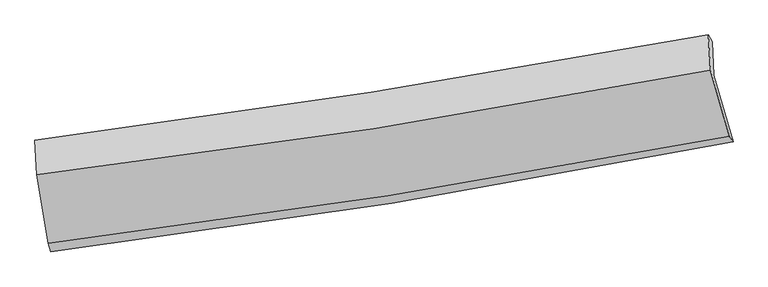
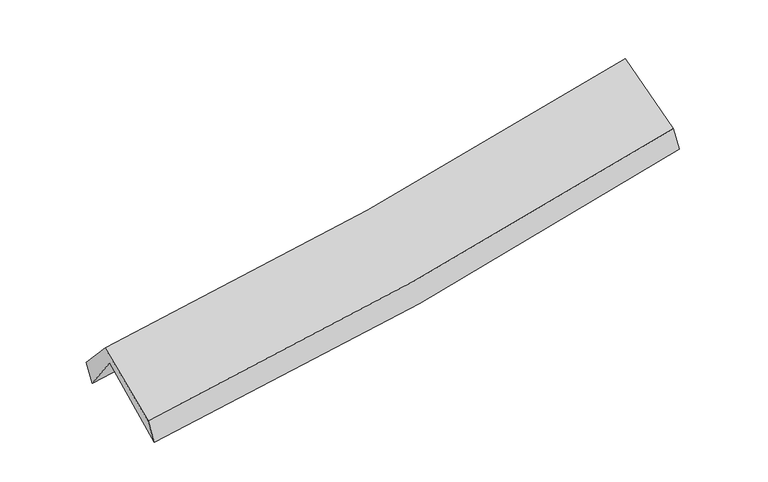
"""IFC4 building model written with IfcOpenShell, lengths in millimetres: proxy geometry."""

from ifc_helpers import new_model, si_unit, frame, origin, place, context, project, spatial, source, transform, mapped, element, save
from ifc_brep_helpers import plane_surface, spline_curve, spline_surface, advanced_brep


def generic_models_a3c40480(model_context):
    return source(origin(), model_context, "Body", "AdvancedBrep", [
        advanced_brep(
        [(-2429.047179, -2485.580719, 1492.3228801), (-2518.5673483, -1965.8132998, 1939.9405125), (2456.5668126, -1184.1113214, 2364.6886546), (2599.5214476, -1676.6092529, 1937.7345512), (-2528.0765303, -1723.4781868, 1610.6859314), (2446.3572404, -937.3128196, 2052.2819804), (-2545.0929222, -1662.5096555, 1771.9500764), (2417.0138739, -888.0490047, 2223.897694), (-2531.0207421, -1919.0636934, 2053.6721374), (2432.8091982, -1149.2511973, 2511.779459), (-2446.7376439, -2421.8111196, 1659.1981117), (2571.3258308, -1634.0266839, 2110.3410954)],
        [
            (0, 1),
            (1, 2, spline_curve(3, [(-2518.5673483, -1965.8132998, 1939.9405125), (-1687.982444066, -1861.388194489, 1987.750232623), (-860.212053183, -1744.433393826, 2046.810698578), (798.224469382, -1484.126359224, 2188.159689457), (1628.832132132, -1340.513834068, 2270.681937693), (2456.5668126, -1184.1113214, 2364.6886546)], [4, 2, 4], [0.0, 8.29830607850823, 16.682363568356642])),
            (2, 3),
            (3, 0, spline_curve(3, [(2599.5214476, -1676.6092529, 1937.7345512), (1764.634721459, -1841.356089053, 1836.998930325), (925.970650234, -1991.415209496, 1749.389815381), (-750.295765641, -2260.773451743, 1601.186398871), (-1587.821236556, -2380.371486832, 1540.324956617), (-2429.047179, -2485.580719, 1492.3228801)], [4, 2, 4], [0.0, 8.384057489848413, 16.682363568356642])),
            (1, 4),
            (4, 5, spline_curve(3, [(-2528.0765303, -1723.4781868, 1610.6859314), (-1697.124498693, -1619.448728508, 1660.30595736), (-869.227368038, -1502.324633079, 1721.665824266), (788.980684847, -1240.541538664, 1868.620623992), (1619.228144463, -1095.610511738, 1954.459439942), (2446.3572404, -937.3128196, 2052.2819804)], [4, 2, 4], [0.0, 8.251429487844462, 16.588125982890453])),
            (5, 2),
            (4, 6),
            (6, 7, spline_curve(3, [(-2545.0929222, -1662.5096555, 1771.9500764), (-1716.62184591, -1554.901142986, 1817.12187433), (-890.988283536, -1436.943713277, 1877.099980057), (763.106261513, -1179.005151098, 2027.441599881), (1591.508298066, -1038.809030793, 2118.112699857), (2417.0138739, -888.0490047, 2223.897694)], [4, 2, 4], [0.0, 8.242109152421497, 16.56938899938636])),
            (7, 5),
            (6, 8),
            (8, 9, spline_curve(3, [(-2531.0207421, -1919.0636934, 2053.6721374), (-1701.829585314, -1819.446371459, 2107.793050033), (-875.692009105, -1705.888449721, 2172.776758491), (778.981405815, -1449.573886002, 2325.253535274), (1607.453810081, -1306.52764282, 2412.972267478), (2432.8091982, -1149.2511973, 2511.779459)], [4, 2, 4], [0.0, 8.232738842499064, 16.550551550466626])),
            (9, 7),
            (8, 10),
            (10, 11, spline_curve(3, [(-2446.7376439, -2421.8111196, 1659.1981117), (-1607.906246749, -2320.583968796, 1713.195091815), (-772.450655523, -2204.734690515, 1777.54210526), (900.307298165, -1942.443638402, 1927.708088463), (1737.539532058, -1795.698104908, 2013.742069454), (2571.3258308, -1634.0266839, 2110.3410954)], [4, 2, 4], [0.0, 8.279308226828563, 16.644171548715583])),
            (11, 9),
            (10, 0),
            (3, 11),
        ],
        [
            spline_surface(3, 3, [[(-2429.047179, -2485.580719, 1492.3228801), (-1587.821236456, -2380.371486814, 1540.324956719), (-750.295765581, -2260.773451871, 1601.186398776), (925.970650174, -1991.415209367, 1749.389815477), (1764.634721529, -1841.356088966, 1836.99893041), (2599.5214476, -1676.6092529, 1937.7345512)], [(-2458.887235447, -2312.324912611, 1641.528757575), (-1621.208305629, -2207.37705606, 1689.466715373), (-786.934528072, -2088.660099161, 1749.727832007), (883.388589866, -1822.31892604, 1895.646440186), (1719.367191685, -1674.40867067, 1981.559932869), (2551.869902591, -1512.443275738, 2080.052585657)], [(-2488.727291853, -2139.069106189, 1790.734635025), (-1654.595374762, -2034.382625273, 1838.608474001), (-823.573290562, -1916.546746413, 1898.26926522), (840.806529559, -1653.222642675, 2041.903064878), (1674.099661867, -1507.461252359, 2126.120935358), (2504.218357609, -1348.277298562, 2222.370620143)], [(-2518.5673483, -1965.8132998, 1939.9405125), (-1687.982443935, -1861.388194518, 1987.750232654), (-860.212053053, -1744.433393704, 2046.81069845), (798.224469251, -1484.126359348, 2188.159689587), (1628.832132023, -1340.513834063, 2270.681937817), (2456.5668126, -1184.1113214, 2364.6886546)]], [4, 4], [4, 2, 4], [0.0, 2.2529503590666584], [0.0, 8.29830607850823, 16.682363568356642]),
            spline_surface(3, 3, [[(-2518.5673483, -1965.8132998, 1939.9405125), (-1687.982443935, -1861.388194518, 1987.750232654), (-860.212053053, -1744.433393704, 2046.81069845), (798.224469251, -1484.126359348, 2188.159689587), (1628.832132023, -1340.513834063, 2270.681937817), (2456.5668126, -1184.1113214, 2364.6886546)], [(-2521.737075619, -1885.034928778, 1830.188985464), (-1691.029795492, -1780.741705857, 1878.602140884), (-863.217157998, -1663.730473489, 1938.429073751), (795.14320777, -1402.931419088, 2081.646667718), (1625.63080279, -1258.879393281, 2165.274438527), (2453.163621864, -1101.845154147, 2260.553096516)], [(-2524.906802981, -1804.256557822, 1720.437458436), (-1694.077147091, -1700.095217264, 1769.454049122), (-866.222262999, -1583.027553332, 1830.047449015), (792.061946233, -1321.736478886, 1975.133645811), (1622.429473565, -1177.244952457, 2059.866939289), (2449.760431136, -1019.578986853, 2156.417538484)], [(-2528.0765303, -1723.4781868, 1610.6859314), (-1697.124498649, -1619.448728603, 1660.305957352), (-869.227367943, -1502.324633117, 1721.665824316), (788.980684752, -1240.541538626, 1868.620623941), (1619.228144332, -1095.610511674, 1954.459439999), (2446.3572404, -937.3128196, 2052.2819804)]], [4, 4], [4, 2, 4], [0.0, 1.3243681750434273], [0.0, 8.251429487844462, 16.588125982890453]),
            spline_surface(3, 3, [[(-2528.0765303, -1723.4781868, 1610.6859314), (-1697.124498649, -1619.448728603, 1660.305957352), (-869.227367943, -1502.324633117, 1721.665824316), (788.980684752, -1240.541538626, 1868.620623941), (1619.228144332, -1095.610511674, 1954.459439999), (2446.3572404, -937.3128196, 2052.2819804)], [(-2533.74866096, -1703.155343051, 1664.440646401), (-1703.623614402, -1597.932866785, 1712.577929672), (-876.481006497, -1480.530993157, 1773.477209549), (780.35587704, -1220.029409515, 1921.560949217), (1609.988195595, -1076.67668474, 2009.010526655), (2436.576118262, -920.891547957, 2109.487218285)], [(-2539.42079154, -1682.832499249, 1718.195361399), (-1710.122730077, -1576.417004915, 1764.849901987), (-883.734645068, -1458.737353121, 1825.28859486), (771.731069312, -1199.517280328, 1974.50127457), (1600.748246772, -1057.742857835, 2063.561613258), (2426.794996038, -904.470276343, 2166.692456115)], [(-2545.0929222, -1662.5096555, 1771.9500764), (-1716.621845831, -1554.901143096, 1817.121874307), (-890.988283622, -1436.943713161, 1877.099980093), (763.106261601, -1179.005151216, 2027.441599845), (1591.508298035, -1038.809030901, 2118.112699914), (2417.0138739, -888.0490047, 2223.897694)]], [4, 4], [4, 2, 4], [0.0, 0.5614683124205554], [0.0, 8.242109152421497, 16.56938899938636]),
            spline_surface(3, 3, [[(-2545.0929222, -1662.5096555, 1771.9500764), (-1716.621845831, -1554.901143096, 1817.121874307), (-890.988283622, -1436.943713161, 1877.099980093), (763.106261601, -1179.005151216, 2027.441599845), (1591.508298035, -1038.809030901, 2118.112699914), (2417.0138739, -888.0490047, 2223.897694)], [(-2540.402195472, -1748.027668132, 1865.857430084), (-1711.691092297, -1643.082885917, 1914.012266189), (-885.889525486, -1526.591958638, 1975.658906232), (768.397976381, -1269.194729521, 2126.712245024), (1596.823468667, -1128.048568183, 2216.399222382), (2422.278981992, -975.116402231, 2319.858282321)], [(-2535.711468828, -1833.545680768, 1959.764783716), (-1706.760338848, -1731.264628742, 2010.902658019), (-880.790767358, -1616.240204116, 2074.217832308), (773.689691152, -1359.384307827, 2225.98289014), (1602.138639323, -1217.288105471, 2314.685744887), (2427.544090108, -1062.183799769, 2415.818870679)], [(-2531.0207421, -1919.0636934, 2053.6721374), (-1701.829585314, -1819.446371563, 2107.793049901), (-875.692009221, -1705.888449592, 2172.776758447), (778.981405932, -1449.573886132, 2325.253535319), (1607.453809954, -1306.527642754, 2412.972267355), (2432.8091982, -1149.2511973, 2511.779459)]], [4, 4], [4, 2, 4], [0.0, 1.316755972515124], [0.0, 8.232738842499064, 16.550551550466626]),
            spline_surface(3, 3, [[(-2531.0207421, -1919.0636934, 2053.6721374), (-1701.829585314, -1819.446371563, 2107.793049901), (-875.692009221, -1705.888449592, 2172.776758447), (778.981405932, -1449.573886132, 2325.253535319), (1607.453809954, -1306.527642754, 2412.972267355), (2432.8091982, -1149.2511973, 2511.779459)], [(-2502.92637605, -2086.646168809, 1922.180795485), (-1670.521805835, -1986.492237313, 1976.260397218), (-841.278224711, -1872.170529856, 2041.031874066), (819.423370017, -1613.863803568, 2192.738386336), (1650.815717284, -1469.584463499, 2279.895534759), (2478.981409074, -1310.843026179, 2377.966671152)], [(-2474.83200995, -2254.228644191, 1790.689453615), (-1639.214026307, -2153.538103037, 1844.727744579), (-806.864440128, -2038.452610167, 1909.286989708), (859.865334177, -1778.153721051, 2060.223237377), (1694.177624591, -1632.641284208, 2146.818802108), (2525.153619926, -1472.434855021, 2244.153883248)], [(-2446.7376439, -2421.8111196, 1659.1981117), (-1607.906246828, -2320.583968787, 1713.195091895), (-772.450655618, -2204.734690431, 1777.542105327), (900.307298262, -1942.443638487, 1927.708088395), (1737.53953192, -1795.698104953, 2013.742069512), (2571.3258308, -1634.0266839, 2110.3410954)]], [4, 4], [4, 2, 4], [0.0, 2.1150800123376112], [0.0, 8.279308226828563, 16.644171548715583]),
            spline_surface(3, 3, [[(-2446.7376439, -2421.8111196, 1659.1981117), (-1607.906246828, -2320.583968787, 1713.195091895), (-772.450655618, -2204.734690431, 1777.542105327), (900.307298262, -1942.443638487, 1927.708088395), (1737.53953192, -1795.698104953, 2013.742069512), (2571.3258308, -1634.0266839, 2110.3410954)], [(-2440.840822253, -2443.06765272, 1603.57303449), (-1601.211243357, -2340.513141449, 1655.571713494), (-765.065692275, -2223.414277575, 1718.756869805), (908.861748897, -1958.767495444, 1868.268664083), (1746.571261773, -1810.917432938, 1954.827689815), (2580.724369716, -1648.220873547, 2052.80558067)], [(-2434.944000647, -2464.32418588, 1547.94795731), (-1594.516239927, -2360.442314152, 1597.948335121), (-757.680728925, -2242.093864727, 1659.971634299), (917.416199539, -1975.09135241, 1808.829239789), (1755.602991677, -1826.136760982, 1895.913310107), (2590.122908684, -1662.415063253, 1995.27006593)], [(-2429.047179, -2485.580719, 1492.3228801), (-1587.821236456, -2380.371486814, 1540.324956719), (-750.295765581, -2260.773451871, 1601.186398776), (925.970650174, -1991.415209367, 1749.389815477), (1764.634721529, -1841.356088966, 1836.99893041), (2599.5214476, -1676.6092529, 1937.7345512)]], [4, 4], [4, 2, 4], [0.0, 0.6118340080840695], [0.0, 8.335546748389792, 16.75722973846603]),
            plane_surface(frame((2487.2657339, -1244.89338, 2200.1205724), z_axis=(0.976190289152309, 0.18459143409409862, 0.11392331554083068), x_axis=(0.21492970563442299, -0.7522031879414698, -0.622892916709277))),
            plane_surface(frame((-2499.757061, -2029.7094457, 1754.6282749), z_axis=(-0.9910502874752471, -0.1195579695869019, -0.059373559801374334), x_axis=(-0.0985440187290515, 0.3552259714272348, 0.92957172159888))),
        ],
        [
            (0, [[1, 2, 3, 4]]),
            (1, [[5, 6, 7, -2]]),
            (2, [[8, 9, 10, -6]]),
            (3, [[11, 12, 13, -9]]),
            (4, [[14, 15, 16, -12]]),
            (5, [[17, -4, 18, -15]]),
            (6, [[-16, -18, -3, -7, -10, -13]]),
            (7, [[-17, -14, -11, -8, -5, -1]]),
        ],
    ),
    ])


if __name__ == "__main__":
    model = new_model("IFC4")
    model_context = context("Model", 3, world=origin())
    ifc_project = project(units=[si_unit("LENGTHUNIT", "METRE", prefix="MILLI")], contexts=[model_context])
    site = spatial("IfcSite", under=ifc_project)
    building = spatial("IfcBuilding", under=site)
    placement = place(None, origin())
    generic_models_shape = generic_models_a3c40480(model_context)
    element("IfcBuildingElementProxy", 1, Name="Generic Models", at=placement, inside=building, context=model_context, shape_type="MappedRepresentation", body=[
        mapped(generic_models_shape, transform((0.0, 0.0, 0.0), x_axis=(1.0, 0.0, 0.0), y_axis=(0.0, 1.0, 0.0), z_axis=(0.0, 0.0, 1.0))),
    ])
    save(model, "model.ifc")
